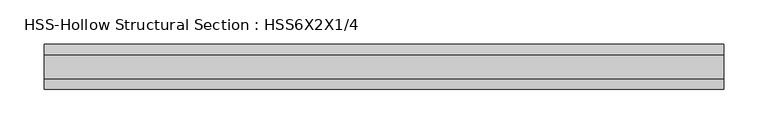
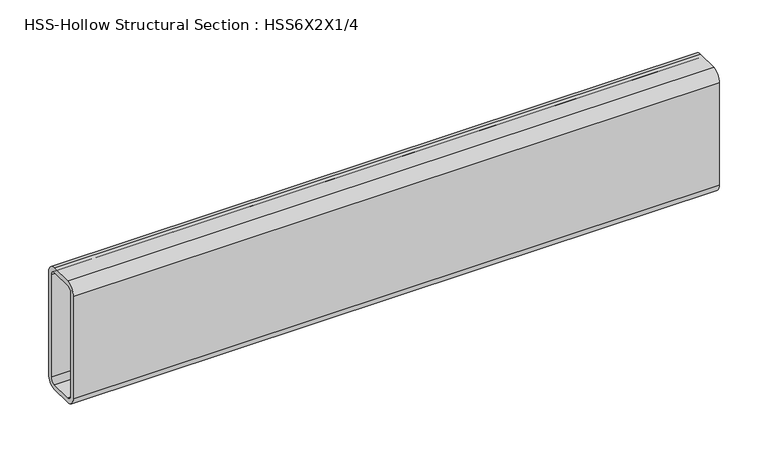
"""IFC4 building model written with IfcOpenShell, lengths in millimetres: beam geometry, HSS-Hollow Structural Section : HSS6X2X1/4."""

from ifc_helpers import new_model, si_unit, point, frame, frame_2d, origin, place, context, project, spatial, polyline, circle_curve, trimmed, segment, composite_curve, outline, extrude, source, transform, mapped, element, save


def hss_hollow_structural_section_hss6x2x1_4_bcda06ad(model_context):
    return source(origin(), model_context, "Body", "SweptSolid", [
        extrude(outline(composite_curve([segment(polyline([(25.4, 64.3636), (25.4, -64.3636)]), True, "CONTINUOUS"), segment(trimmed(circle_curve(frame_2d((13.5636, -64.3636)), 11.8364), [point((25.4, -64.3636))], [point((13.5636, -76.2))], False, "CARTESIAN"), True, "CONTINUOUS"), segment(polyline([(13.5636, -76.2), (-13.5636, -76.2)]), True, "CONTINUOUS"), segment(trimmed(circle_curve(frame_2d((-13.5636, -64.3636)), 11.8364), [point((-13.5636, -76.2))], [point((-25.4, -64.3636))], False, "CARTESIAN"), True, "CONTINUOUS"), segment(polyline([(-25.4, -64.3636), (-25.4, 64.3636)]), True, "CONTINUOUS"), segment(trimmed(circle_curve(frame_2d((-13.5636, 64.3636)), 11.8364), [point((-25.4, 64.3636))], [point((-13.5636, 76.2))], False, "CARTESIAN"), True, "CONTINUOUS"), segment(polyline([(-13.5636, 76.2), (13.5636, 76.2)]), True, "CONTINUOUS"), segment(trimmed(circle_curve(frame_2d((13.5636, 64.3636)), 11.8364), [point((13.5636, 76.2))], [point((25.4, 64.3636))], False, "CARTESIAN"), True, "CONTINUOUS")], self_intersect=False), holes=[composite_curve([segment(trimmed(circle_curve(frame_2d((-13.5636, 64.3636)), 5.9182), [point((-13.5636, 70.2818))], [point((-19.4818, 64.3636))], True, "CARTESIAN"), True, "CONTINUOUS"), segment(polyline([(-19.4818, 64.3636), (-19.4818, -64.3636)]), True, "CONTINUOUS"), segment(trimmed(circle_curve(frame_2d((-13.5636, -64.3636)), 5.9182), [point((-19.4818, -64.3636))], [point((-13.5636, -70.2818))], True, "CARTESIAN"), True, "CONTINUOUS"), segment(polyline([(-13.5636, -70.2818), (13.5636, -70.2818)]), True, "CONTINUOUS"), segment(trimmed(circle_curve(frame_2d((13.5636, -64.3636)), 5.9182), [point((13.5636, -70.2818))], [point((19.4818, -64.3636))], True, "CARTESIAN"), True, "CONTINUOUS"), segment(polyline([(19.4818, -64.3636), (19.4818, 64.3636)]), True, "CONTINUOUS"), segment(trimmed(circle_curve(frame_2d((13.5636, 64.3636)), 5.9182), [point((19.4818, 64.3636))], [point((13.5636, 70.2818))], True, "CARTESIAN"), True, "CONTINUOUS"), segment(polyline([(13.5636, 70.2818), (-13.5636, 70.2818)]), True, "CONTINUOUS")], self_intersect=False)]), frame((-383.21996, 0.0, 0.0), z_axis=(1.0, 0.0, 0.0), x_axis=(0.0, 1.0, 0.0)), (0.0, 0.0, 1.0), 766.43992),
    ])


if __name__ == "__main__":
    model = new_model("IFC4")
    model_context = context("Model", 3, world=origin())
    ifc_project = project(units=[si_unit("LENGTHUNIT", "METRE", prefix="MILLI")], contexts=[model_context])
    site = spatial("IfcSite", under=ifc_project)
    building = spatial("IfcBuilding", under=site)
    placement = place(None, origin())
    hss_hollow_structural_section_hss6x2x1_4_shape = hss_hollow_structural_section_hss6x2x1_4_bcda06ad(model_context)
    element("IfcBeam", 1, ObjectType="HSS-Hollow Structural Section : HSS6X2X1/4", at=placement, inside=building, context=model_context, shape_type="MappedRepresentation", body=[
        mapped(hss_hollow_structural_section_hss6x2x1_4_shape, transform((0.0, 0.0, 0.0), x_axis=(1.0, 0.0, 0.0), y_axis=(0.0, 1.0, 0.0), z_axis=(0.0, 0.0, 1.0))),
    ])
    save(model, "model.ifc")
